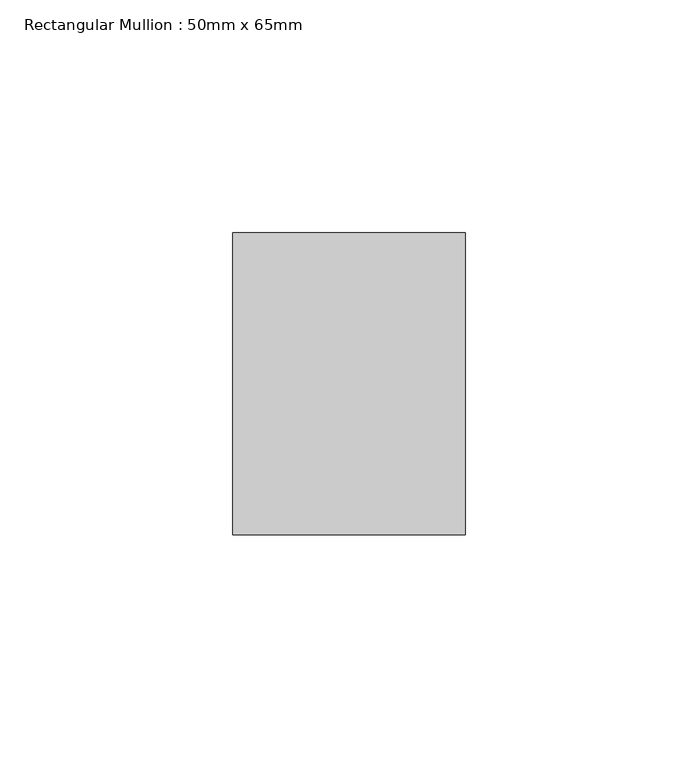
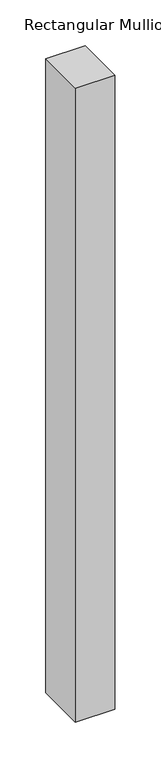
"""IFC4 building model written with IfcOpenShell, lengths in millimetres: member geometry, Rectangular Mullion : 50mm x 65mm."""

from ifc_helpers import new_model, si_unit, frame, origin, place, context, project, spatial, polyline, outline, extrude, source, transform, mapped, element, save


def rectangular_mullion_50mm_x_65mm_28fa5f79(model_context):
    return source(origin(), model_context, "Body", "SweptSolid", [
        extrude(outline(polyline([(25.0, 32.5), (25.0, -32.5), (-25.0, -32.5), (-25.0, 32.5), (25.0, 32.5)])), frame((0.0, 0.0, -846.7249097), z_axis=(0.0, 0.0, 1.0), x_axis=(1.0, 0.0, 0.0)), (0.0, 0.0, 1.0), 846.7249097),
    ])


if __name__ == "__main__":
    model = new_model("IFC4")
    model_context = context("Model", 3, world=origin())
    ifc_project = project(units=[si_unit("LENGTHUNIT", "METRE", prefix="MILLI")], contexts=[model_context])
    site = spatial("IfcSite", under=ifc_project)
    building = spatial("IfcBuilding", under=site)
    placement = place(None, origin())
    rectangular_mullion_50mm_x_65mm_shape = rectangular_mullion_50mm_x_65mm_28fa5f79(model_context)
    element("IfcMember", 1, ObjectType="Rectangular Mullion : 50mm x 65mm", at=placement, inside=building, context=model_context, shape_type="MappedRepresentation", body=[
        mapped(rectangular_mullion_50mm_x_65mm_shape, transform((0.0, 0.0, 0.0), x_axis=(1.0, 0.0, 0.0), y_axis=(0.0, 1.0, 0.0), z_axis=(0.0, 0.0, 1.0))),
    ])
    save(model, "model.ifc")
